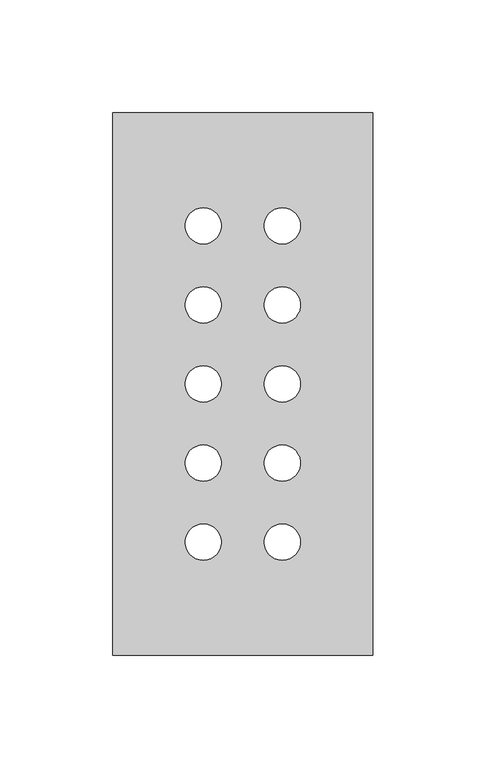
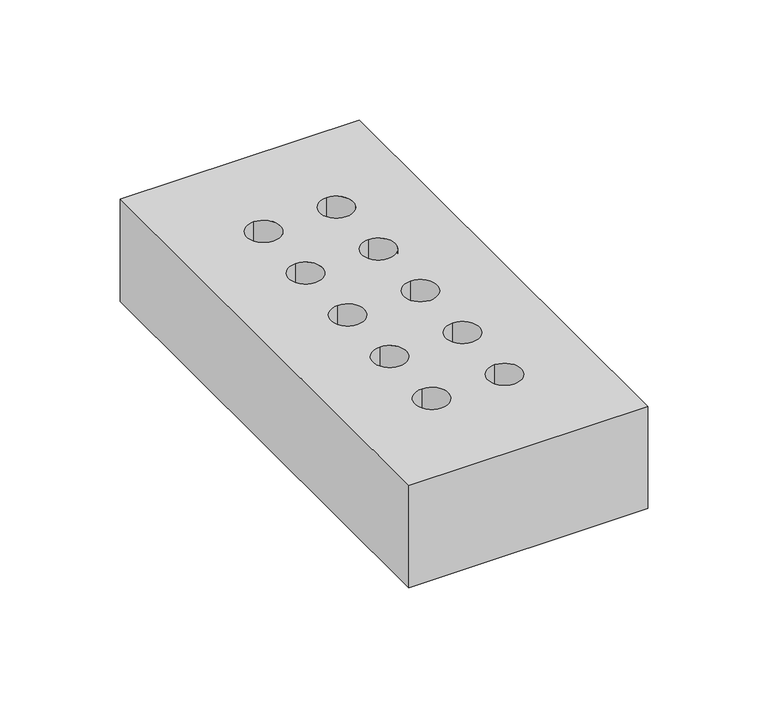
"""IFC4 building model written with IfcOpenShell, lengths in millimetres: proxy geometry."""

import ifcopenshell
import ifcopenshell.guid

model = None  # the IFC model being written
_history = None  # IfcOwnerHistory: only IFC2X3 demands one
_inside = {}  # id of a spatial element -> (the spatial element, [elements in it])
_under = {}  # id of a project, library or spatial element -> (it, [spatial elements below it])
_declared = {}  # id of a project -> (the project, [libraries it declares])
_typed = {}  # id of a type object -> (the type object, [elements of that type])
_made_of = {}  # id of a material, layer set ... -> (it, [elements and type objects made of it])


def new_model(schema):
    """Start an empty IFC model of exactly this schema.

    Asked for "IFC4X3", IfcOpenShell would pick the latest addendum, in which some entities
    have other attributes; the version numbers below select the first issue.
    IFC2X3 requires an IfcOwnerHistory on every rooted entity: one is made here for all.
    """
    global model, _history
    if schema == "IFC4X3":
        model = ifcopenshell.file(schema_version=(4, 3, 0, 0))
    else:
        model = ifcopenshell.file(schema=schema)
    _inside.clear()
    _under.clear()
    _declared.clear()
    _typed.clear()
    _made_of.clear()
    _history = None
    if model.schema == "IFC2X3":
        org = make("IfcOrganization", Name="unknown")
        user = make(
            "IfcPersonAndOrganization",
            ThePerson=make("IfcPerson", FamilyName="unknown"),
            TheOrganization=org,
        )
        app = make(
            "IfcApplication",
            ApplicationDeveloper=org,
            Version="unknown",
            ApplicationFullName="unknown",
            ApplicationIdentifier="unknown",
        )
        _history = make(
            "IfcOwnerHistory",
            OwningUser=user,
            OwningApplication=app,
            ChangeAction="ADDED",
            CreationDate=0,
        )
    return model


def make(cls, **values):
    """One entity of the class cls with the attributes given. An attribute that is None is left unset."""
    return model.create_entity(
        cls, **{name: value for name, value in values.items() if value is not None}
    )


def rooted(cls, **values):
    """An entity with a GlobalId (a new one), such as an element, a storey or a relation."""
    return make(cls, GlobalId=ifcopenshell.guid.new(), OwnerHistory=_history, **values)


def si_unit(unit_type, name, prefix=None):
    """IfcSIUnit, for example si_unit("LENGTHUNIT", "METRE", prefix="MILLI")."""
    return make("IfcSIUnit", UnitType=unit_type, Prefix=prefix, Name=name)


def assignment(units):
    """IfcUnitAssignment: the units of a project."""
    return None if units is None else make("IfcUnitAssignment", Units=units)


def point(xyz):
    """IfcCartesianPoint."""
    return None if xyz is None else make("IfcCartesianPoint", Coordinates=xyz)


def direction(xyz):
    """IfcDirection."""
    return None if xyz is None else make("IfcDirection", DirectionRatios=xyz)


def frame(location, z_axis=None, x_axis=None):
    """IfcAxis2Placement3D, a coordinate frame: its origin and axes. An axis left out is left unset."""
    return make(
        "IfcAxis2Placement3D",
        Location=point(location),
        Axis=direction(z_axis),
        RefDirection=direction(x_axis),
    )


def frame_2d(location, x_axis=None):
    """IfcAxis2Placement2D, a coordinate frame in the plane: its origin and x axis."""
    return make(
        "IfcAxis2Placement2D", Location=point(location), RefDirection=direction(x_axis)
    )


def origin():
    """The frame at (0, 0, 0) with its axes left unset."""
    return frame((0.0, 0.0, 0.0))


def origin_with_axes():
    """The frame at (0, 0, 0) with the z axis (0, 0, 1) and the x axis (1, 0, 0) written out."""
    return frame((0.0, 0.0, 0.0), z_axis=(0.0, 0.0, 1.0), x_axis=(1.0, 0.0, 0.0))


def place(relative_to, where):
    """IfcLocalPlacement: puts the frame where relative to a parent placement (None: the world)."""
    return make(
        "IfcLocalPlacement", PlacementRelTo=relative_to, RelativePlacement=where
    )


def context(
    kind, dimensions, precision=None, world=None, true_north=None, identifier=None
):
    """IfcGeometricRepresentationContext, for example the 3D "Model" context."""
    return make(
        "IfcGeometricRepresentationContext",
        ContextIdentifier=identifier,
        ContextType=kind,
        CoordinateSpaceDimension=dimensions,
        Precision=precision,
        WorldCoordinateSystem=world,
        TrueNorth=true_north,
    )


def project(units=None, contexts=None):
    """IfcProject with its units and contexts."""
    return rooted(
        "IfcProject",
        Name="project",
        RepresentationContexts=contexts,
        UnitsInContext=assignment(units),
    )


def spatial(cls, under=None, at=None, **own):
    """A site, building, storey or space (cls), placed at a placement, below another one or the project."""
    s = rooted(cls, ObjectPlacement=at, **own)
    if under is not None:
        _under.setdefault(under.id(), (under, []))[1].append(s)
    return s


def polyline(points):
    """IfcPolyline through the points."""
    return make("IfcPolyline", Points=[point(p) for p in points])


def circle_curve(where, radius):
    """IfcCircle in the frame where."""
    return make("IfcCircle", Position=where, Radius=radius)


def trimmed(basis, trim1, trim2, sense, master):
    """IfcTrimmedCurve: the piece of a basis curve between two trims."""
    return make(
        "IfcTrimmedCurve",
        BasisCurve=basis,
        Trim1=trim1,
        Trim2=trim2,
        SenseAgreement=sense,
        MasterRepresentation=master,
    )


def segment(curve, same_sense, transition):
    """IfcCompositeCurveSegment."""
    return make(
        "IfcCompositeCurveSegment",
        Transition=transition,
        SameSense=same_sense,
        ParentCurve=curve,
    )


def composite_curve(segments, self_intersect=None):
    """IfcCompositeCurve: segments joined end to end."""
    return make("IfcCompositeCurve", Segments=segments, SelfIntersect=self_intersect)


def outline(outer, holes=None, kind="AREA"):
    """IfcArbitraryClosedProfileDef: a profile drawn as a closed curve; with holes, ...WithVoids."""
    if holes is None:
        return make("IfcArbitraryClosedProfileDef", ProfileType=kind, OuterCurve=outer)
    return make(
        "IfcArbitraryProfileDefWithVoids",
        ProfileType=kind,
        OuterCurve=outer,
        InnerCurves=holes,
    )


def extrude(swept, where, along, depth):
    """IfcExtrudedAreaSolid: the profile swept, set in the frame where, extruded along a direction by depth."""
    return make(
        "IfcExtrudedAreaSolid",
        SweptArea=swept,
        Position=where,
        ExtrudedDirection=direction(along),
        Depth=depth,
    )


def shape(context_of_items, identifier, shape_type, items):
    """IfcShapeRepresentation: the items that make up one representation, for example the "Body"."""
    return make(
        "IfcShapeRepresentation",
        ContextOfItems=context_of_items,
        RepresentationIdentifier=identifier,
        RepresentationType=shape_type,
        Items=items,
    )


def source(mapping_origin, context_of_items, identifier, shape_type, items):
    """IfcRepresentationMap: a shape defined once, which mapped items show again and again."""
    return make(
        "IfcRepresentationMap",
        MappingOrigin=mapping_origin,
        MappedRepresentation=shape(context_of_items, identifier, shape_type, items),
    )


def transform(
    local_origin,
    x_axis=None,
    y_axis=None,
    z_axis=None,
    scale=None,
    scale2=None,
    scale3=None,
    uniform=True,
):
    """IfcCartesianTransformationOperator3D, or its non-uniform kind. x_axis, y_axis, z_axis: its Axis1, 2, 3."""
    if uniform:
        return make(
            "IfcCartesianTransformationOperator3D",
            Axis1=direction(x_axis),
            Axis2=direction(y_axis),
            LocalOrigin=point(local_origin),
            Scale=scale,
            Axis3=direction(z_axis),
        )
    return make(
        "IfcCartesianTransformationOperator3DnonUniform",
        Axis1=direction(x_axis),
        Axis2=direction(y_axis),
        LocalOrigin=point(local_origin),
        Scale=scale,
        Axis3=direction(z_axis),
        Scale2=scale2,
        Scale3=scale3,
    )


def mapped(mapping_source, mapping_target):
    """IfcMappedItem: shows the shape of a source again, moved by a transform."""
    return make(
        "IfcMappedItem", MappingSource=mapping_source, MappingTarget=mapping_target
    )


def made_of(thing, what):
    """Note that an element or type object is made of a material, layer set ...; save() writes the relation."""
    if what is not None:
        _made_of.setdefault(what.id(), (what, []))[1].append(thing)
    return thing


def element(
    cls,
    number,
    at=None,
    inside=None,
    cuts=None,
    type_object=None,
    material=None,
    context=None,
    identifier="Body",
    shape_type=None,
    held_by="IfcProductDefinitionShape",
    body=None,
    shapes=None,
    **own,
):
    """One element of the class cls, such as IfcWall. Its Tag is "e" and its number.

    at: its placement. inside: the storey or other place that contains it. cuts: it is an
    opening in that element (IfcRelVoidsElement). A single representation is given by context,
    identifier, shape_type and body (its items); several are given by shapes. held_by: the class
    of the entity that holds the representations. save() writes the other relations.
    """
    e = rooted(cls, Tag="e%d" % number, ObjectPlacement=at, **own)
    if body is not None:
        shapes = [shape(context, identifier, shape_type, body)]
    if shapes is not None:
        e.Representation = make(held_by, Representations=shapes)
    if inside is not None:
        _inside.setdefault(inside.id(), (inside, []))[1].append(e)
    if cuts is not None:
        rooted(
            "IfcRelVoidsElement", RelatingBuildingElement=cuts, RelatedOpeningElement=e
        )
    if type_object is not None:
        _typed.setdefault(type_object.id(), (type_object, []))[1].append(e)
    return made_of(e, material)


def aggregate(whole, parts):
    """IfcRelAggregates: a whole, such as a stair, and the parts it consists of."""
    return rooted("IfcRelAggregates", RelatingObject=whole, RelatedObjects=parts)


def save(model, path):
    """Write the relations noted so far, then the file.

    IfcRelAggregates (storeys below a building ...), IfcRelContainedInSpatialStructure (elements
    in a storey), IfcRelDefinesByType, IfcRelAssociatesMaterial and IfcRelDeclares: one each for
    every whole, place, type object, material and project.
    """
    for whole, parts in _under.values():
        aggregate(whole, parts)
    for where, things in _inside.values():
        rooted(
            "IfcRelContainedInSpatialStructure",
            RelatedElements=things,
            RelatingStructure=where,
        )
    for kind, things in _typed.values():
        rooted("IfcRelDefinesByType", RelatedObjects=things, RelatingType=kind)
    for what, things in _made_of.values():
        rooted("IfcRelAssociatesMaterial", RelatedObjects=things, RelatingMaterial=what)
    for by, libraries in _declared.values():
        rooted("IfcRelDeclares", RelatingContext=by, RelatedDefinitions=libraries)
    model.write(path)


def generic_models_e899386f(model_context):
    return source(origin(), model_context, "Body", "SweptSolid", [
        extrude(outline(polyline([(0.0, 240.0), (115.0, 240.0), (115.0, 0.0), (0.0, 0.0), (0.0, 240.0)]), holes=[composite_curve([segment(trimmed(circle_curve(frame_2d((75.0, 50.0)), 8.0), [point((75.0, 58.0))], [point((75.0, 42.0))], True, "CARTESIAN"), True, "CONTINUOUS"), segment(trimmed(circle_curve(frame_2d((75.0, 50.0)), 8.0), [point((75.0, 42.0))], [point((75.0, 58.0))], True, "CARTESIAN"), True, "CONTINUOUS")], self_intersect=False), composite_curve([segment(trimmed(circle_curve(frame_2d((40.0, 50.0)), 8.0), [point((40.0, 58.0))], [point((40.0, 42.0))], True, "CARTESIAN"), True, "CONTINUOUS"), segment(trimmed(circle_curve(frame_2d((40.0, 50.0)), 8.0), [point((40.0, 42.0))], [point((40.0, 58.0))], True, "CARTESIAN"), True, "CONTINUOUS")], self_intersect=False), composite_curve([segment(trimmed(circle_curve(frame_2d((40.0, 120.0)), 8.0), [point((40.0, 128.0))], [point((40.0, 112.0))], True, "CARTESIAN"), True, "CONTINUOUS"), segment(trimmed(circle_curve(frame_2d((40.0, 120.0)), 8.0), [point((40.0, 112.0))], [point((40.0, 128.0))], True, "CARTESIAN"), True, "CONTINUOUS")], self_intersect=False), composite_curve([segment(trimmed(circle_curve(frame_2d((40.0, 155.0)), 8.0), [point((40.0, 163.0))], [point((40.0, 147.0))], True, "CARTESIAN"), True, "CONTINUOUS"), segment(trimmed(circle_curve(frame_2d((40.0, 155.0)), 8.0), [point((40.0, 147.0))], [point((40.0, 163.0))], True, "CARTESIAN"), True, "CONTINUOUS")], self_intersect=False), composite_curve([segment(trimmed(circle_curve(frame_2d((40.0, 190.0)), 8.0), [point((40.0, 198.0))], [point((40.0, 182.0))], True, "CARTESIAN"), True, "CONTINUOUS"), segment(trimmed(circle_curve(frame_2d((40.0, 190.0)), 8.0), [point((40.0, 182.0))], [point((40.0, 198.0))], True, "CARTESIAN"), True, "CONTINUOUS")], self_intersect=False), composite_curve([segment(trimmed(circle_curve(frame_2d((40.0, 85.0)), 8.0), [point((40.0, 93.0))], [point((40.0, 77.0))], True, "CARTESIAN"), True, "CONTINUOUS"), segment(trimmed(circle_curve(frame_2d((40.0, 85.0)), 8.0), [point((40.0, 77.0))], [point((40.0, 93.0))], True, "CARTESIAN"), True, "CONTINUOUS")], self_intersect=False), composite_curve([segment(trimmed(circle_curve(frame_2d((75.0, 190.0)), 8.0), [point((75.0, 198.0))], [point((75.0, 182.0))], True, "CARTESIAN"), True, "CONTINUOUS"), segment(trimmed(circle_curve(frame_2d((75.0, 190.0)), 8.0), [point((75.0, 182.0))], [point((75.0, 198.0))], True, "CARTESIAN"), True, "CONTINUOUS")], self_intersect=False), composite_curve([segment(trimmed(circle_curve(frame_2d((75.0, 155.0)), 8.0), [point((75.0, 163.0))], [point((75.0, 147.0))], True, "CARTESIAN"), True, "CONTINUOUS"), segment(trimmed(circle_curve(frame_2d((75.0, 155.0)), 8.0), [point((75.0, 147.0))], [point((75.0, 163.0))], True, "CARTESIAN"), True, "CONTINUOUS")], self_intersect=False), composite_curve([segment(trimmed(circle_curve(frame_2d((75.0, 120.0)), 8.0), [point((75.0, 128.0))], [point((75.0, 112.0))], True, "CARTESIAN"), True, "CONTINUOUS"), segment(trimmed(circle_curve(frame_2d((75.0, 120.0)), 8.0), [point((75.0, 112.0))], [point((75.0, 128.0))], True, "CARTESIAN"), True, "CONTINUOUS")], self_intersect=False), composite_curve([segment(trimmed(circle_curve(frame_2d((75.0, 85.0)), 8.0), [point((75.0, 93.0))], [point((75.0, 77.0))], True, "CARTESIAN"), True, "CONTINUOUS"), segment(trimmed(circle_curve(frame_2d((75.0, 85.0)), 8.0), [point((75.0, 77.0))], [point((75.0, 93.0))], True, "CARTESIAN"), True, "CONTINUOUS")], self_intersect=False)]), origin_with_axes(), (0.0, 0.0, 1.0), 52.0),
    ])


if __name__ == "__main__":
    model = new_model("IFC4")
    model_context = context("Model", 3, world=origin())
    ifc_project = project(units=[si_unit("LENGTHUNIT", "METRE", prefix="MILLI")], contexts=[model_context])
    site = spatial("IfcSite", under=ifc_project)
    building = spatial("IfcBuilding", under=site)
    placement = place(None, origin())
    generic_models_shape = generic_models_e899386f(model_context)
    element("IfcBuildingElementProxy", 1, Name="Generic Models", at=placement, inside=building, context=model_context, shape_type="MappedRepresentation", body=[
        mapped(generic_models_shape, transform((0.0, 0.0, 0.0), x_axis=(1.0, 0.0, 0.0), y_axis=(0.0, 1.0, 0.0), z_axis=(0.0, 0.0, 1.0))),
    ])
    save(model, "model.ifc")
